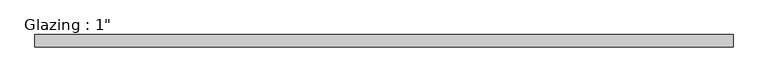
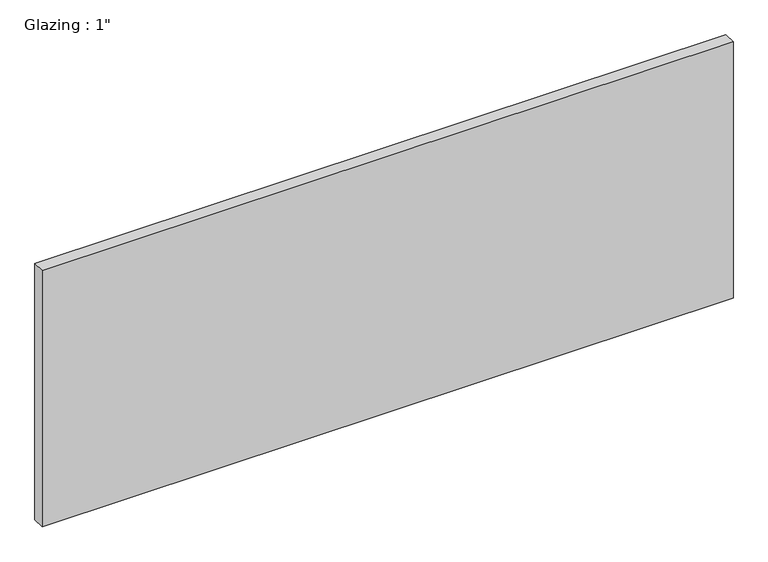
"""IFC4 building model written with IfcOpenShell, lengths in millimetres: plate geometry."""

from ifc_helpers import new_model, si_unit, origin, origin_with_axes, place, context, project, spatial, polyline, outline, extrude, source, transform, mapped, element, save


def plate_07b7a487(model_context):
    return source(origin(), model_context, "Body", "SweptSolid", [
        extrude(outline(polyline([(713.8330765, 12.7), (713.8330765, -12.7), (-713.8330765, -12.7), (-713.8330765, 12.7), (713.8330765, 12.7)])), origin_with_axes(), (0.0, 0.0, 1.0), 560.0039722),
    ])


if __name__ == "__main__":
    model = new_model("IFC4")
    model_context = context("Model", 3, world=origin())
    ifc_project = project(units=[si_unit("LENGTHUNIT", "METRE", prefix="MILLI")], contexts=[model_context])
    site = spatial("IfcSite", under=ifc_project)
    building = spatial("IfcBuilding", under=site)
    placement = place(None, origin())
    plate_shape = plate_07b7a487(model_context)
    element("IfcPlate", 1, ObjectType="Glazing : 1\"", at=placement, inside=building, context=model_context, shape_type="MappedRepresentation", body=[
        mapped(plate_shape, transform((0.0, 0.0, 0.0), x_axis=(1.0, 0.0, 0.0), y_axis=(0.0, 1.0, 0.0), z_axis=(0.0, 0.0, 1.0))),
    ])
    save(model, "model.ifc")
